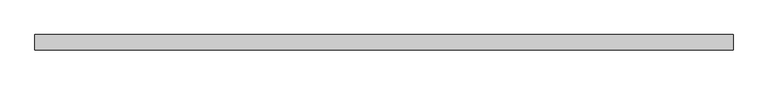
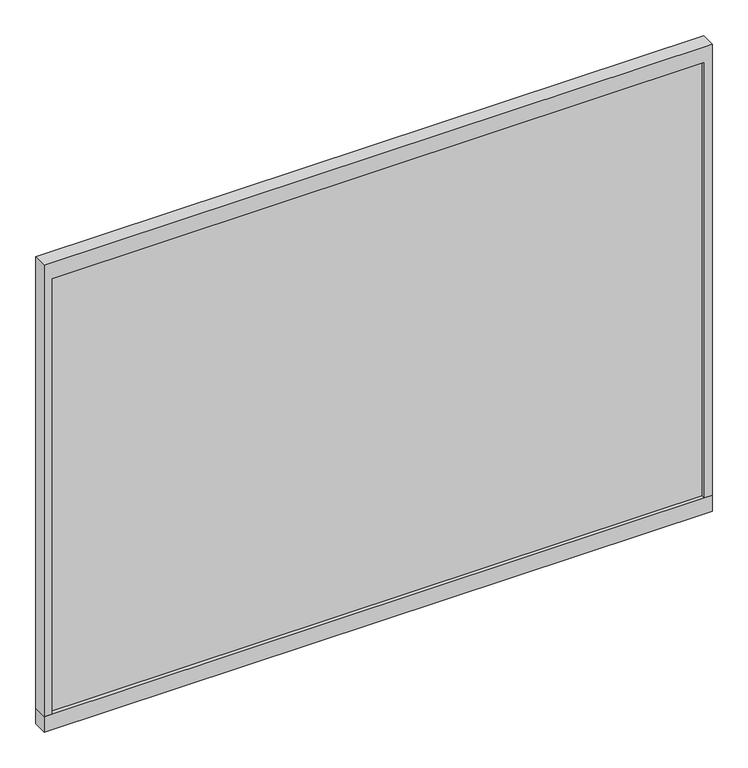
"""IFC4 building model written with IfcOpenShell, lengths in millimetres: furniture geometry."""

from ifc_helpers import new_model, si_unit, frame, origin, place, context, project, spatial, polyline, outline, extrude, source, transform, mapped, element, save


def furniture_da1fae41(model_context):
    return source(origin(), model_context, "Body", "SweptSolid", [
        extrude(outline(polyline([(1100.137525, 5.1435002), (1100.137525, 0.0), (42.8625, 0.0), (42.8625, 5.1435002), (1100.137525, 5.1435002)])), frame((0.0, 0.0, 662.0002006), z_axis=(0.0, 0.0, 1.0), x_axis=(1.0, 0.0, 0.0)), (0.0, 0.0, 1.0), 746.0995579),
        extrude(outline(polyline([(1100.137525, -5.1435002), (42.8625, -5.1435002), (42.8625, 0.0), (1100.137525, 0.0), (1100.137525, -5.1435002)])), frame((0.0, 0.0, 662.0002006), z_axis=(0.0, 0.0, 1.0), x_axis=(1.0, 0.0, 0.0)), (0.0, 0.0, 1.0), 746.0995579),
        extrude(outline(polyline([(662.0002006, 1112.8375242), (1435.1, 1112.8375242), (1435.1, 30.1625008), (662.0002006, 30.1625008), (662.0002006, 42.8625), (1408.0997585, 42.8625), (1408.0997585, 1100.137525), (662.0002006, 1100.137525), (662.0002006, 1112.8375242)])), frame((0.0, -11.938, 0.0), z_axis=(0.0, 1.0, 0.0), x_axis=(0.0, 0.0, 1.0)), (0.0, 0.0, 1.0), 23.876),
        extrude(outline(polyline([(30.1625008, -11.938), (30.1625008, 11.938), (1112.8375242, 11.938), (1112.8375242, -11.938), (30.1625008, -11.938)])), frame((0.0, 0.0, 635.0), z_axis=(0.0, 0.0, 1.0), x_axis=(1.0, 0.0, 0.0)), (0.0, 0.0, 1.0), 27.0002006),
    ])


if __name__ == "__main__":
    model = new_model("IFC4")
    model_context = context("Model", 3, world=origin())
    ifc_project = project(units=[si_unit("LENGTHUNIT", "METRE", prefix="MILLI")], contexts=[model_context])
    site = spatial("IfcSite", under=ifc_project)
    building = spatial("IfcBuilding", under=site)
    placement = place(None, origin())
    furniture_shape = furniture_da1fae41(model_context)
    element("IfcFurniture", 1, at=placement, inside=building, context=model_context, shape_type="MappedRepresentation", body=[
        mapped(furniture_shape, transform((0.0, 0.0, 0.0), x_axis=(1.0, 0.0, 0.0), y_axis=(0.0, 1.0, 0.0), z_axis=(0.0, 0.0, 1.0))),
    ])
    save(model, "model.ifc")
